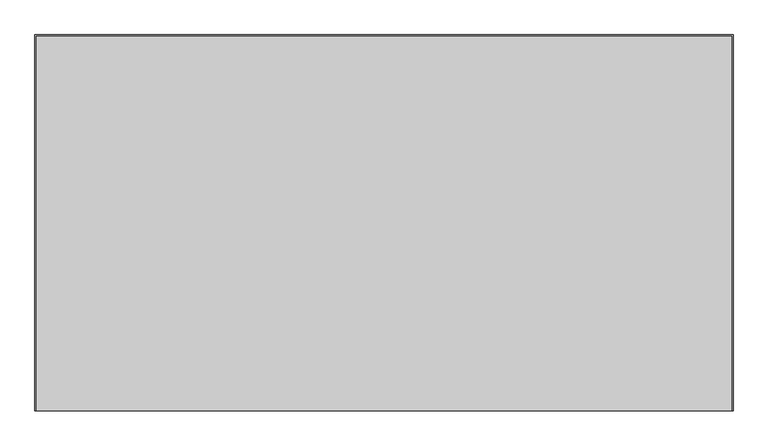
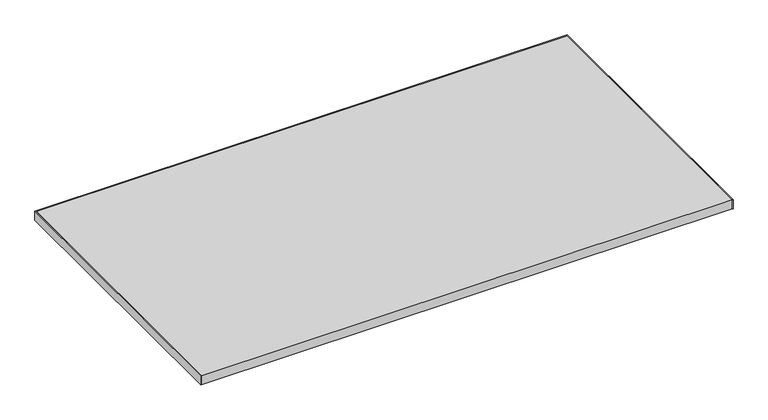
"""IFC4 building model written with IfcOpenShell, lengths in millimetres: furniture geometry."""

from ifc_helpers import new_model, si_unit, frame, origin, place, context, project, spatial, polyline, outline, extrude, source, transform, mapped, element, save


def furniture_ad7b7785(model_context):
    return source(origin(), model_context, "Body", "SweptSolid", [
        extrude(outline(polyline([(2.0, 823.0), (2.0, 70.0461504), (0.0, 70.0461504), (0.0, 825.0), (1400.0, 825.0), (1400.0, 70.0461504), (1398.0, 70.0461504), (1398.0, 823.0), (2.0, 823.0)])), frame((0.0, 0.0, 695.0), z_axis=(0.0, 0.0, 1.0), x_axis=(1.0, 0.0, 0.0)), (0.0, 0.0, 1.0), 25.0),
        extrude(outline(polyline([(1398.0, 823.0), (1398.0, 70.0461504), (2.0, 70.0461504), (2.0, 823.0), (1398.0, 823.0)])), frame((0.0, 0.0, 695.0), z_axis=(0.0, 0.0, 1.0), x_axis=(1.0, 0.0, 0.0)), (0.0, 0.0, 1.0), 25.0),
    ])


if __name__ == "__main__":
    model = new_model("IFC4")
    model_context = context("Model", 3, world=origin())
    ifc_project = project(units=[si_unit("LENGTHUNIT", "METRE", prefix="MILLI")], contexts=[model_context])
    site = spatial("IfcSite", under=ifc_project)
    building = spatial("IfcBuilding", under=site)
    placement = place(None, origin())
    furniture_shape = furniture_ad7b7785(model_context)
    element("IfcFurniture", 1, at=placement, inside=building, context=model_context, shape_type="MappedRepresentation", body=[
        mapped(furniture_shape, transform((0.0, 0.0, 0.0), x_axis=(1.0, 0.0, 0.0), y_axis=(0.0, 1.0, 0.0), z_axis=(0.0, 0.0, 1.0))),
    ])
    save(model, "model.ifc")
